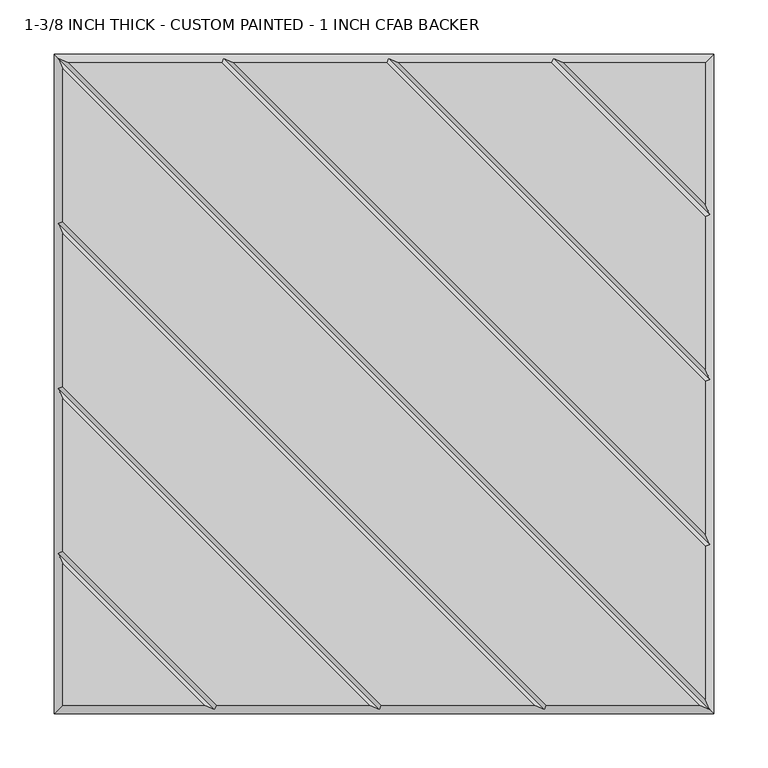
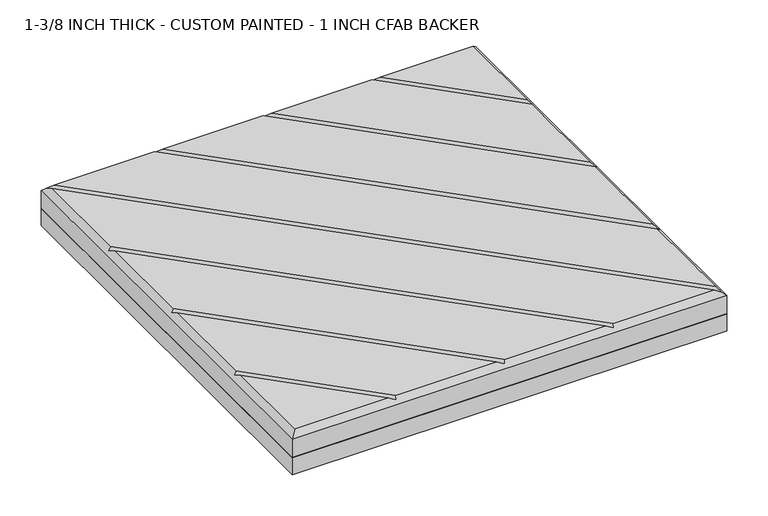
"""IFC4 building model written with IfcOpenShell, lengths in millimetres: proxy geometry, 1-3/8 INCH THICK - CUSTOM PAINTED - 1 INCH CFAB BACKER."""

from ifc_helpers import new_model, si_unit, frame, origin, place, context, project, spatial, polyline, outline, extrude, faceted_brep, source, transform, mapped, element, save


def proxy_1_3_8_inch_thick_custom_painted_1_inch_cfab_backer_c40d2aaa(model_context):
    return source(origin(), model_context, "Body", "SolidModel", [
        extrude(outline(polyline([(-304.8, 304.8), (304.8, 304.8), (304.8, -304.8), (-304.8, -304.8), (-304.8, 304.8)])), frame((0.0, 0.0, -25.4), z_axis=(0.0, 0.0, 1.0), x_axis=(1.0, 0.0, 0.0)), (0.0, 0.0, 1.0), 25.4),
        faceted_brep([(-291.1414386, 296.799, 34.925), (296.799, -291.1414386, 34.925), (296.799, -150.0565868, 34.925), (-150.0565868, 296.799, 34.925), (291.1414386, -296.799, 34.925), (-296.799, 291.1414386, 34.925), (-296.799, 150.0565868, 34.925), (150.0565868, -296.799, 34.925), (138.741464, -296.799, 34.925), (-296.799, 138.741464, 34.925), (-296.799, -2.3434132, 34.925), (-2.3434132, -296.799, 34.925), (-13.658536, -296.799, 34.925), (-296.799, -13.658536, 34.925), (-296.799, -154.7434132, 34.925), (-154.7434132, -296.799, 34.925), (-296.799, -166.058536, 34.925), (-296.799, -296.799, 34.925), (-166.058536, -296.799, 34.925), (-138.741464, 296.799, 34.925), (296.799, -138.741464, 34.925), (296.799, 2.3434132, 34.925), (2.3434132, 296.799, 34.925), (13.658536, 296.799, 34.925), (296.799, 13.658536, 34.925), (296.799, 154.7434132, 34.925), (154.7434132, 296.799, 34.925), (296.799, 296.799, 34.925), (166.058536, 296.799, 34.925), (296.799, 166.058536, 34.925), (-304.8, 304.8, 0.0), (304.8, 304.8, 0.0), (304.8, -304.8, 0.0), (-304.8, -304.8, 0.0), (-304.8, -304.8, 26.924), (-304.8, 304.8, 26.924), (304.8, -304.8, 26.924), (304.8, 304.8, 26.924), (-300.7995, 300.7995, 30.9245), (-148.3995254, 300.7995, 30.9245), (4.0004746, 300.7995, 30.9245), (156.4004746, 300.7995, 30.9245), (-300.7995, -156.4004746, 30.9245), (-300.7995, -4.0004746, 30.9245), (-300.7995, 148.3995254, 30.9245), (300.7995, -300.7995, 30.9245), (148.3995254, -300.7995, 30.9245), (-4.0004746, -300.7995, 30.9245), (-156.4004746, -300.7995, 30.9245), (300.7995, 156.4004746, 30.9245), (300.7995, 4.0004746, 30.9245), (300.7995, -148.3995254, 30.9245)], [[[0, 1, 2, 3]], [[4, 5, 6, 7]], [[8, 9, 10, 11]], [[12, 13, 14, 15]], [[16, 17, 18]], [[19, 20, 21, 22]], [[23, 24, 25, 26]], [[27, 28, 29]], [[30, 31, 32, 33]], [[30, 33, 34, 35]], [[33, 32, 36, 34]], [[32, 31, 37, 36]], [[31, 30, 35, 37]], [[27, 37, 35, 38, 0, 3, 39, 19, 22, 40, 23, 26, 41, 28]], [[34, 17, 16, 42, 14, 13, 43, 10, 9, 44, 6, 5, 38, 35]], [[17, 34, 36, 45, 4, 7, 46, 8, 11, 47, 12, 15, 48, 18]], [[37, 27, 29, 49, 25, 24, 50, 21, 20, 51, 2, 1, 45, 36]], [[38, 45, 1, 0]], [[45, 38, 5, 4]], [[44, 46, 7, 6]], [[46, 44, 9, 8]], [[43, 47, 11, 10]], [[47, 43, 13, 12]], [[42, 48, 15, 14]], [[48, 42, 16, 18]], [[51, 39, 3, 2]], [[39, 51, 20, 19]], [[50, 40, 22, 21]], [[40, 50, 24, 23]], [[49, 41, 26, 25]], [[41, 49, 29, 28]]]),
    ])


if __name__ == "__main__":
    model = new_model("IFC4")
    model_context = context("Model", 3, world=origin())
    ifc_project = project(units=[si_unit("LENGTHUNIT", "METRE", prefix="MILLI")], contexts=[model_context])
    site = spatial("IfcSite", under=ifc_project)
    building = spatial("IfcBuilding", under=site)
    placement = place(None, origin())
    proxy_1_3_8_inch_thick_custom_painted_1_inch_cfab_backer_shape = proxy_1_3_8_inch_thick_custom_painted_1_inch_cfab_backer_c40d2aaa(model_context)
    element("IfcBuildingElementProxy", 1, Name="1-3/8 INCH THICK - CUSTOM PAINTED - 1 INCH CFAB BACKER", ObjectType="1-3/8 INCH THICK - CUSTOM PAINTED - 1 INCH CFAB BACKER", at=placement, inside=building, context=model_context, shape_type="MappedRepresentation", body=[
        mapped(proxy_1_3_8_inch_thick_custom_painted_1_inch_cfab_backer_shape, transform((0.0, 0.0, 0.0), x_axis=(1.0, 0.0, 0.0), y_axis=(0.0, 1.0, 0.0), z_axis=(0.0, 0.0, 1.0))),
    ])
    save(model, "model.ifc")
